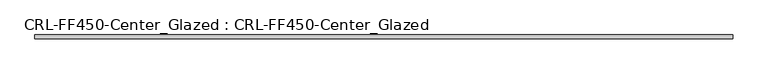
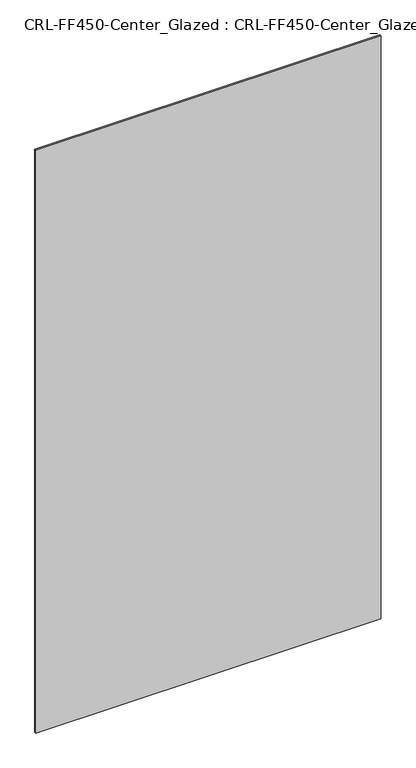
"""IFC4 building model written with IfcOpenShell, lengths in millimetres: plate geometry, CRL-FF450-Center_Glazed : CRL-FF450-Center_Glazed."""

from ifc_helpers import new_model, si_unit, origin, origin_with_axes, place, context, project, spatial, polyline, outline, extrude, source, transform, mapped, element, save


def crl_ff450_center_glazed_crl_ff450_center_glazed_af584f1b(model_context):
    return source(origin(), model_context, "Body", "SweptSolid", [
        extrude(outline(polyline([(592.6712176, 3.1749999), (592.6712176, -3.1749999), (-592.6712176, -3.1749999), (-592.6712176, 3.1749999), (592.6712176, 3.1749999)])), origin_with_axes(), (0.0, 0.0, 1.0), 2114.5499801),
    ])


if __name__ == "__main__":
    model = new_model("IFC4")
    model_context = context("Model", 3, world=origin())
    ifc_project = project(units=[si_unit("LENGTHUNIT", "METRE", prefix="MILLI")], contexts=[model_context])
    site = spatial("IfcSite", under=ifc_project)
    building = spatial("IfcBuilding", under=site)
    placement = place(None, origin())
    crl_ff450_center_glazed_crl_ff450_center_glazed_shape = crl_ff450_center_glazed_crl_ff450_center_glazed_af584f1b(model_context)
    element("IfcPlate", 1, ObjectType="CRL-FF450-Center_Glazed : CRL-FF450-Center_Glazed", at=placement, inside=building, context=model_context, shape_type="MappedRepresentation", body=[
        mapped(crl_ff450_center_glazed_crl_ff450_center_glazed_shape, transform((0.0, 0.0, 0.0), x_axis=(1.0, 0.0, 0.0), y_axis=(0.0, 1.0, 0.0), z_axis=(0.0, 0.0, 1.0))),
    ])
    save(model, "model.ifc")
